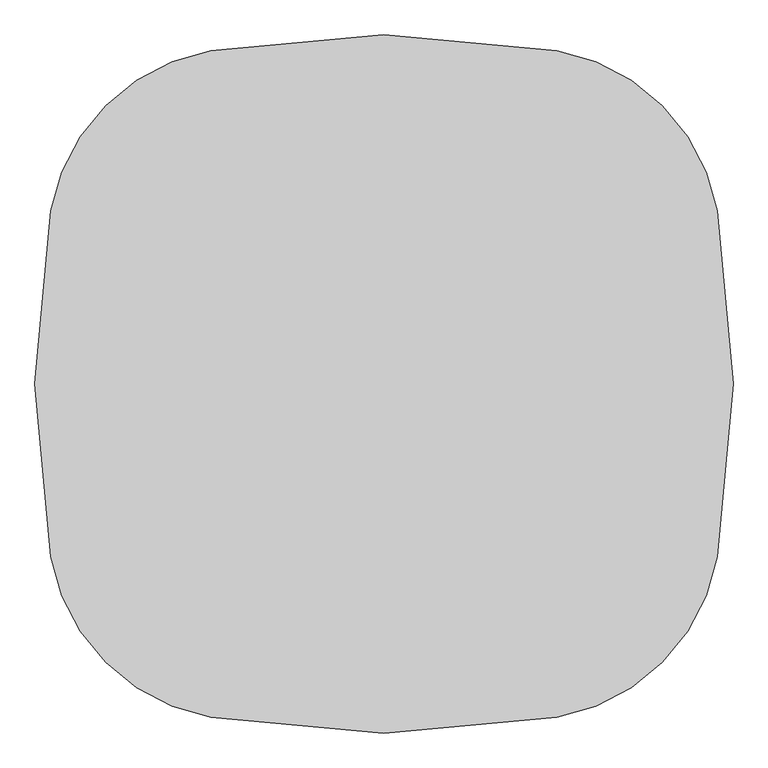
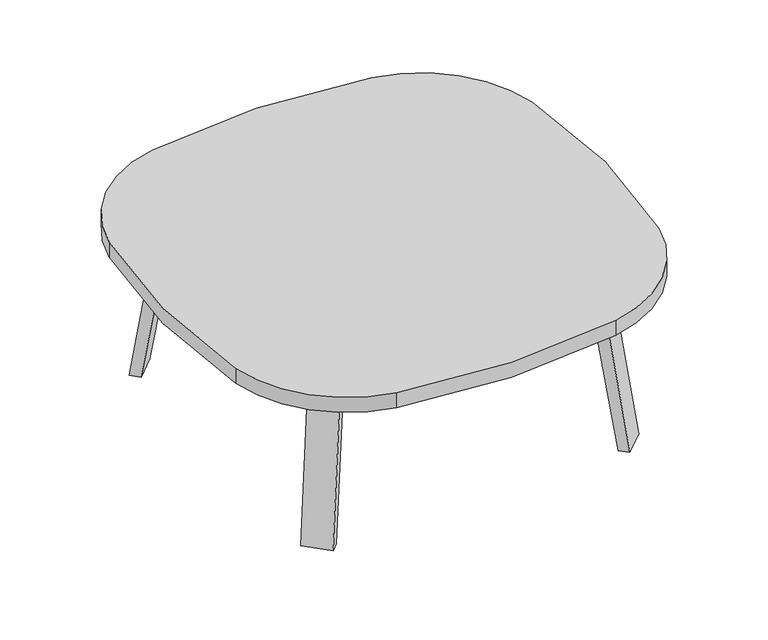
"""IFC4 building model written with IfcOpenShell, lengths in millimetres: furniture geometry."""

from ifc_helpers import new_model, si_unit, point, frame, frame_2d, origin, place, context, project, spatial, polyline, circle_curve, trimmed, segment, composite_curve, outline, extrude, faceted_brep, source, transform, mapped, element, save


def furniture_a1a256e2(model_context):
    return source(origin(), model_context, "Body", "SolidModel", [
        extrude(outline(composite_curve([segment(trimmed(circle_curve(frame_2d((-939.8, 0.0)), 1473.2), [point((509.4926684, 264.327451))], [point((509.4926684, -264.327451))], False, "CARTESIAN"), True, "CONTINUOUS"), segment(trimmed(circle_curve(frame_2d((209.6390129, -209.6390129)), 304.8), [point((509.4926684, -264.327451))], [point((264.327451, -509.4926684))], False, "CARTESIAN"), True, "CONTINUOUS"), segment(trimmed(circle_curve(frame_2d((0.0, 939.8)), 1473.2), [point((264.327451, -509.4926684))], [point((-264.327451, -509.4926684))], False, "CARTESIAN"), True, "CONTINUOUS"), segment(trimmed(circle_curve(frame_2d((-209.6390129, -209.6390129)), 304.8), [point((-264.327451, -509.4926684))], [point((-509.4926684, -264.327451))], False, "CARTESIAN"), True, "CONTINUOUS"), segment(trimmed(circle_curve(frame_2d((939.8, 0.0)), 1473.2), [point((-509.4926684, -264.327451))], [point((-509.4926684, 264.327451))], False, "CARTESIAN"), True, "CONTINUOUS"), segment(trimmed(circle_curve(frame_2d((-209.6390129, 209.6390129)), 304.8), [point((-509.4926684, 264.327451))], [point((-264.327451, 509.4926684))], False, "CARTESIAN"), True, "CONTINUOUS"), segment(trimmed(circle_curve(frame_2d((0.0, -939.8)), 1473.2), [point((-264.327451, 509.4926684))], [point((264.327451, 509.4926684))], False, "CARTESIAN"), True, "CONTINUOUS"), segment(trimmed(circle_curve(frame_2d((209.6390129, 209.6390129)), 304.8), [point((264.327451, 509.4926684))], [point((509.4926684, 264.327451))], False, "CARTESIAN"), True, "CONTINUOUS")], self_intersect=False)), frame((0.0, 0.0, 393.7), z_axis=(0.0, 0.0, 1.0), x_axis=(1.0, 0.0, 0.0)), (0.0, 0.0, 1.0), 38.1),
        faceted_brep([(176.7573355, -301.7740831, 390.525), (216.2704624, -262.2609562, 390.525), (271.3867843, -317.3772782, 390.525), (264.7451366, -324.0189259, 390.525), (203.6981038, -328.7148515, 390.525), (324.0189259, -264.7451366, 390.525), (318.0841162, -270.6799463, 390.525), (262.9677942, -215.5636244, 390.525), (302.4809212, -176.0504974, 390.525), (329.4216895, -202.9912658, 390.525), (176.7573355, -301.7740831, 393.7), (203.6981038, -328.7148515, 393.7), (264.7451366, -324.0189259, 393.7), (324.0189259, -264.7451366, 393.7), (329.4216895, -202.9912658, 393.7), (302.4809212, -176.0504974, 393.7), (271.3867843, -317.3772782, 368.3), (318.0841162, -270.6799463, 368.3), (226.4855037, -272.4759975, 368.3), (273.1828356, -225.7786657, 368.3)], [[[0, 1, 2, 3, 4]], [[5, 6, 7, 8, 9]], [[10, 11, 12, 13, 14, 15]], [[4, 11, 10, 0]], [[3, 12, 11, 4]], [[12, 3, 2, 16, 17, 6, 5, 13]], [[9, 14, 13, 5]], [[8, 15, 14, 9]], [[15, 8, 7, 1, 0, 10]], [[2, 1, 18, 16]], [[7, 6, 17, 19]], [[18, 19, 17, 16]], [[1, 7, 19, 18]]]),
        extrude(outline(composite_curve([segment(polyline([(-398.4146379, 0.0), (-408.1545858, 62.748573), (-383.0551566, 66.6445522), (-379.5627212, 44.1449106)]), True, "CONTINUOUS"), segment(trimmed(circle_curve(frame_2d((-360.7381493, 47.066895)), 19.05), [point((-379.5627212, 44.1449106))], [point((-359.4679535, 28.0592886))], True, "CARTESIAN"), True, "CONTINUOUS"), segment(polyline([(-359.4679535, 28.0592886), (-3.9108612, 25.195305), (0.0, 0.0), (-398.4146379, 0.0)]), True, "CONTINUOUS")], self_intersect=False)), frame((357.7994909, -407.1908995, 0.0), z_axis=(0.7071067811865512, 0.7071067811865439, 0.0), x_axis=(0.1084595775949888, -0.10845957759497554, -0.9881665042166913)), (0.0, 0.0, 1.0), 69.85),
        faceted_brep([(176.7573355, 301.7740831, 390.525), (203.6981038, 328.7148515, 390.525), (264.7451366, 324.0189259, 390.525), (271.3867843, 317.3772782, 390.525), (216.2704624, 262.2609562, 390.525), (324.0189259, 264.7451366, 390.525), (329.4216895, 202.9912658, 390.525), (302.4809212, 176.0504974, 390.525), (262.9677942, 215.5636244, 390.525), (318.0841162, 270.6799463, 390.525), (176.7573355, 301.7740831, 393.7), (302.4809212, 176.0504974, 393.7), (329.4216895, 202.9912658, 393.7), (324.0189259, 264.7451366, 393.7), (264.7451366, 324.0189259, 393.7), (203.6981038, 328.7148515, 393.7), (318.0841162, 270.6799463, 368.3), (271.3867843, 317.3772782, 368.3), (226.4855037, 272.4759975, 368.3), (273.1828356, 225.7786657, 368.3)], [[[0, 1, 2, 3, 4]], [[5, 6, 7, 8, 9]], [[10, 11, 12, 13, 14, 15]], [[1, 0, 10, 15]], [[2, 1, 15, 14]], [[14, 13, 5, 9, 16, 17, 3, 2]], [[6, 5, 13, 12]], [[7, 6, 12, 11]], [[11, 10, 0, 4, 8, 7]], [[3, 17, 18, 4]], [[8, 19, 16, 9]], [[18, 17, 16, 19]], [[4, 18, 19, 8]]]),
        extrude(outline(composite_curve([segment(polyline([(398.4146379, 0.0), (408.1545858, -62.748573), (383.0551566, -66.6445522), (379.5627212, -44.1449106)]), True, "CONTINUOUS"), segment(trimmed(circle_curve(frame_2d((360.7381493, -47.066895)), 19.05), [point((379.5627212, -44.1449106))], [point((359.4679535, -28.0592886))], True, "CARTESIAN"), True, "CONTINUOUS"), segment(polyline([(359.4679535, -28.0592886), (3.9108612, -25.195305), (0.0, 0.0), (398.4146379, 0.0)]), True, "CONTINUOUS")], self_intersect=False)), frame((407.1908995, 357.7994909, 0.0), z_axis=(-0.7071067811865512, 0.7071067811865439, 0.0), x_axis=(-0.1084595775949888, -0.10845957759497554, 0.9881665042166913)), (0.0, 0.0, 1.0), 69.85),
        faceted_brep([(-176.7573355, 301.7740831, 390.525), (-216.2704624, 262.2609562, 390.525), (-271.3867843, 317.3772782, 390.525), (-264.7451366, 324.0189259, 390.525), (-203.6981038, 328.7148515, 390.525), (-324.0189259, 264.7451366, 390.525), (-318.0841162, 270.6799463, 390.525), (-262.9677942, 215.5636244, 390.525), (-302.4809212, 176.0504974, 390.525), (-329.4216895, 202.9912658, 390.525), (-176.7573355, 301.7740831, 393.7), (-203.6981038, 328.7148515, 393.7), (-264.7451366, 324.0189259, 393.7), (-324.0189259, 264.7451366, 393.7), (-329.4216895, 202.9912658, 393.7), (-302.4809212, 176.0504974, 393.7), (-271.3867843, 317.3772782, 368.3), (-318.0841162, 270.6799463, 368.3), (-226.4855037, 272.4759975, 368.3), (-273.1828356, 225.7786657, 368.3)], [[[0, 1, 2, 3, 4]], [[5, 6, 7, 8, 9]], [[10, 11, 12, 13, 14, 15]], [[4, 11, 10, 0]], [[3, 12, 11, 4]], [[12, 3, 2, 16, 17, 6, 5, 13]], [[9, 14, 13, 5]], [[8, 15, 14, 9]], [[15, 8, 7, 1, 0, 10]], [[2, 1, 18, 16]], [[7, 6, 17, 19]], [[18, 19, 17, 16]], [[1, 7, 19, 18]]]),
        extrude(outline(composite_curve([segment(polyline([(398.4146379, 0.0), (0.0, 0.0), (3.9108612, 25.195305), (359.4679535, 28.0592886)]), True, "CONTINUOUS"), segment(trimmed(circle_curve(frame_2d((360.7381493, 47.066895)), 19.05), [point((359.4679535, 28.0592886))], [point((379.5627212, 44.1449106))], True, "CARTESIAN"), True, "CONTINUOUS"), segment(polyline([(379.5627212, 44.1449106), (383.0551566, 66.6445522), (408.1545858, 62.748573), (398.4146379, 0.0)]), True, "CONTINUOUS")], self_intersect=False)), frame((-407.1908995, 357.7994909, 0.0), z_axis=(0.7071067811865512, 0.7071067811865439, 0.0), x_axis=(0.1084595775949888, -0.10845957759497554, 0.9881665042166913)), (0.0, 0.0, 1.0), 69.85),
        faceted_brep([(-176.7573355, -301.7740831, 390.525), (-203.6981038, -328.7148515, 390.525), (-264.7451366, -324.0189259, 390.525), (-271.3867843, -317.3772782, 390.525), (-216.2704624, -262.2609562, 390.525), (-324.0189259, -264.7451366, 390.525), (-329.4216895, -202.9912658, 390.525), (-302.4809212, -176.0504974, 390.525), (-262.9677942, -215.5636244, 390.525), (-318.0841162, -270.6799463, 390.525), (-176.7573355, -301.7740831, 393.7), (-302.4809212, -176.0504974, 393.7), (-329.4216895, -202.9912658, 393.7), (-324.0189259, -264.7451366, 393.7), (-264.7451366, -324.0189259, 393.7), (-203.6981038, -328.7148515, 393.7), (-318.0841162, -270.6799463, 368.3), (-271.3867843, -317.3772782, 368.3), (-226.4855037, -272.4759975, 368.3), (-273.1828356, -225.7786657, 368.3)], [[[0, 1, 2, 3, 4]], [[5, 6, 7, 8, 9]], [[10, 11, 12, 13, 14, 15]], [[1, 0, 10, 15]], [[2, 1, 15, 14]], [[14, 13, 5, 9, 16, 17, 3, 2]], [[6, 5, 13, 12]], [[7, 6, 12, 11]], [[11, 10, 0, 4, 8, 7]], [[3, 17, 18, 4]], [[8, 19, 16, 9]], [[18, 17, 16, 19]], [[4, 18, 19, 8]]]),
        extrude(outline(composite_curve([segment(polyline([(-398.4146379, 0.0), (0.0, 0.0), (-3.9108612, -25.195305), (-359.4679535, -28.0592886)]), True, "CONTINUOUS"), segment(trimmed(circle_curve(frame_2d((-360.7381493, -47.066895)), 19.05), [point((-359.4679535, -28.0592886))], [point((-379.5627212, -44.1449106))], True, "CARTESIAN"), True, "CONTINUOUS"), segment(polyline([(-379.5627212, -44.1449106), (-383.0551566, -66.6445522), (-408.1545858, -62.748573), (-398.4146379, 0.0)]), True, "CONTINUOUS")], self_intersect=False)), frame((-357.7994909, -407.1908995, 0.0), z_axis=(-0.7071067811865512, 0.7071067811865439, 0.0), x_axis=(-0.1084595775949888, -0.10845957759497554, -0.9881665042166913)), (0.0, 0.0, 1.0), 69.85),
    ])


if __name__ == "__main__":
    model = new_model("IFC4")
    model_context = context("Model", 3, world=origin())
    ifc_project = project(units=[si_unit("LENGTHUNIT", "METRE", prefix="MILLI")], contexts=[model_context])
    site = spatial("IfcSite", under=ifc_project)
    building = spatial("IfcBuilding", under=site)
    placement = place(None, origin())
    furniture_shape = furniture_a1a256e2(model_context)
    element("IfcFurniture", 1, at=placement, inside=building, context=model_context, shape_type="MappedRepresentation", body=[
        mapped(furniture_shape, transform((0.0, 0.0, 0.0), x_axis=(1.0, 0.0, 0.0), y_axis=(0.0, 1.0, 0.0), z_axis=(0.0, 0.0, 1.0))),
    ])
    save(model, "model.ifc")
